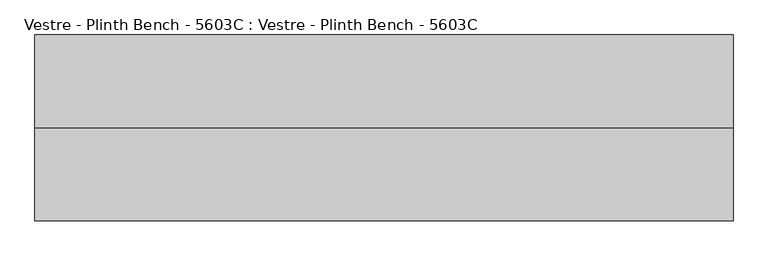
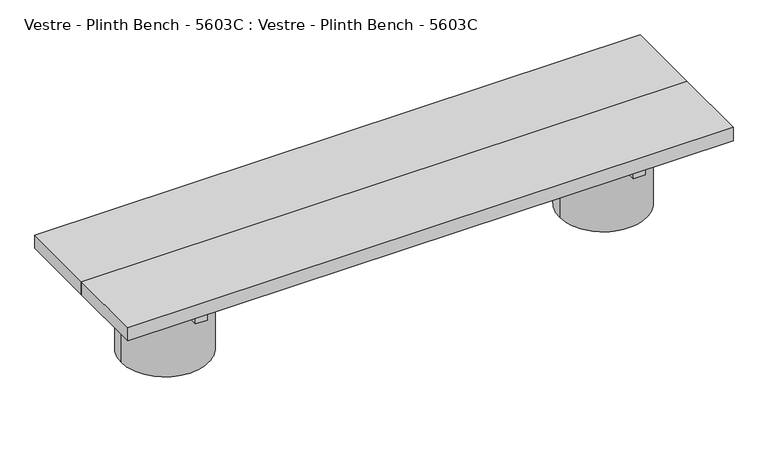
"""IFC4 building model written with IfcOpenShell, lengths in millimetres: furniture geometry, Vestre - Plinth Bench - 5603C : Vestre - Plinth Bench - 5603C."""

import ifcopenshell
import ifcopenshell.guid

model = None  # the IFC model being written
_history = None  # IfcOwnerHistory: only IFC2X3 demands one
_inside = {}  # id of a spatial element -> (the spatial element, [elements in it])
_under = {}  # id of a project, library or spatial element -> (it, [spatial elements below it])
_declared = {}  # id of a project -> (the project, [libraries it declares])
_typed = {}  # id of a type object -> (the type object, [elements of that type])
_made_of = {}  # id of a material, layer set ... -> (it, [elements and type objects made of it])


def new_model(schema):
    """Start an empty IFC model of exactly this schema.

    Asked for "IFC4X3", IfcOpenShell would pick the latest addendum, in which some entities
    have other attributes; the version numbers below select the first issue.
    IFC2X3 requires an IfcOwnerHistory on every rooted entity: one is made here for all.
    """
    global model, _history
    if schema == "IFC4X3":
        model = ifcopenshell.file(schema_version=(4, 3, 0, 0))
    else:
        model = ifcopenshell.file(schema=schema)
    _inside.clear()
    _under.clear()
    _declared.clear()
    _typed.clear()
    _made_of.clear()
    _history = None
    if model.schema == "IFC2X3":
        org = make("IfcOrganization", Name="unknown")
        user = make(
            "IfcPersonAndOrganization",
            ThePerson=make("IfcPerson", FamilyName="unknown"),
            TheOrganization=org,
        )
        app = make(
            "IfcApplication",
            ApplicationDeveloper=org,
            Version="unknown",
            ApplicationFullName="unknown",
            ApplicationIdentifier="unknown",
        )
        _history = make(
            "IfcOwnerHistory",
            OwningUser=user,
            OwningApplication=app,
            ChangeAction="ADDED",
            CreationDate=0,
        )
    return model


def make(cls, **values):
    """One entity of the class cls with the attributes given. An attribute that is None is left unset."""
    return model.create_entity(
        cls, **{name: value for name, value in values.items() if value is not None}
    )


def rooted(cls, **values):
    """An entity with a GlobalId (a new one), such as an element, a storey or a relation."""
    return make(cls, GlobalId=ifcopenshell.guid.new(), OwnerHistory=_history, **values)


def si_unit(unit_type, name, prefix=None):
    """IfcSIUnit, for example si_unit("LENGTHUNIT", "METRE", prefix="MILLI")."""
    return make("IfcSIUnit", UnitType=unit_type, Prefix=prefix, Name=name)


def assignment(units):
    """IfcUnitAssignment: the units of a project."""
    return None if units is None else make("IfcUnitAssignment", Units=units)


def point(xyz):
    """IfcCartesianPoint."""
    return None if xyz is None else make("IfcCartesianPoint", Coordinates=xyz)


def direction(xyz):
    """IfcDirection."""
    return None if xyz is None else make("IfcDirection", DirectionRatios=xyz)


def frame(location, z_axis=None, x_axis=None):
    """IfcAxis2Placement3D, a coordinate frame: its origin and axes. An axis left out is left unset."""
    return make(
        "IfcAxis2Placement3D",
        Location=point(location),
        Axis=direction(z_axis),
        RefDirection=direction(x_axis),
    )


def origin():
    """The frame at (0, 0, 0) with its axes left unset."""
    return frame((0.0, 0.0, 0.0))


def place(relative_to, where):
    """IfcLocalPlacement: puts the frame where relative to a parent placement (None: the world)."""
    return make(
        "IfcLocalPlacement", PlacementRelTo=relative_to, RelativePlacement=where
    )


def context(
    kind, dimensions, precision=None, world=None, true_north=None, identifier=None
):
    """IfcGeometricRepresentationContext, for example the 3D "Model" context."""
    return make(
        "IfcGeometricRepresentationContext",
        ContextIdentifier=identifier,
        ContextType=kind,
        CoordinateSpaceDimension=dimensions,
        Precision=precision,
        WorldCoordinateSystem=world,
        TrueNorth=true_north,
    )


def project(units=None, contexts=None):
    """IfcProject with its units and contexts."""
    return rooted(
        "IfcProject",
        Name="project",
        RepresentationContexts=contexts,
        UnitsInContext=assignment(units),
    )


def spatial(cls, under=None, at=None, **own):
    """A site, building, storey or space (cls), placed at a placement, below another one or the project."""
    s = rooted(cls, ObjectPlacement=at, **own)
    if under is not None:
        _under.setdefault(under.id(), (under, []))[1].append(s)
    return s


def polyline(points):
    """IfcPolyline through the points."""
    return make("IfcPolyline", Points=[point(p) for p in points])


def circle_curve(where, radius):
    """IfcCircle in the frame where."""
    return make("IfcCircle", Position=where, Radius=radius)


def outline(outer, holes=None, kind="AREA"):
    """IfcArbitraryClosedProfileDef: a profile drawn as a closed curve; with holes, ...WithVoids."""
    if holes is None:
        return make("IfcArbitraryClosedProfileDef", ProfileType=kind, OuterCurve=outer)
    return make(
        "IfcArbitraryProfileDefWithVoids",
        ProfileType=kind,
        OuterCurve=outer,
        InnerCurves=holes,
    )


def extrude(swept, where, along, depth):
    """IfcExtrudedAreaSolid: the profile swept, set in the frame where, extruded along a direction by depth."""
    return make(
        "IfcExtrudedAreaSolid",
        SweptArea=swept,
        Position=where,
        ExtrudedDirection=direction(along),
        Depth=depth,
    )


def shape(context_of_items, identifier, shape_type, items):
    """IfcShapeRepresentation: the items that make up one representation, for example the "Body"."""
    return make(
        "IfcShapeRepresentation",
        ContextOfItems=context_of_items,
        RepresentationIdentifier=identifier,
        RepresentationType=shape_type,
        Items=items,
    )


def source(mapping_origin, context_of_items, identifier, shape_type, items):
    """IfcRepresentationMap: a shape defined once, which mapped items show again and again."""
    return make(
        "IfcRepresentationMap",
        MappingOrigin=mapping_origin,
        MappedRepresentation=shape(context_of_items, identifier, shape_type, items),
    )


def transform(
    local_origin,
    x_axis=None,
    y_axis=None,
    z_axis=None,
    scale=None,
    scale2=None,
    scale3=None,
    uniform=True,
):
    """IfcCartesianTransformationOperator3D, or its non-uniform kind. x_axis, y_axis, z_axis: its Axis1, 2, 3."""
    if uniform:
        return make(
            "IfcCartesianTransformationOperator3D",
            Axis1=direction(x_axis),
            Axis2=direction(y_axis),
            LocalOrigin=point(local_origin),
            Scale=scale,
            Axis3=direction(z_axis),
        )
    return make(
        "IfcCartesianTransformationOperator3DnonUniform",
        Axis1=direction(x_axis),
        Axis2=direction(y_axis),
        LocalOrigin=point(local_origin),
        Scale=scale,
        Axis3=direction(z_axis),
        Scale2=scale2,
        Scale3=scale3,
    )


def mapped(mapping_source, mapping_target):
    """IfcMappedItem: shows the shape of a source again, moved by a transform."""
    return make(
        "IfcMappedItem", MappingSource=mapping_source, MappingTarget=mapping_target
    )


def made_of(thing, what):
    """Note that an element or type object is made of a material, layer set ...; save() writes the relation."""
    if what is not None:
        _made_of.setdefault(what.id(), (what, []))[1].append(thing)
    return thing


def element(
    cls,
    number,
    at=None,
    inside=None,
    cuts=None,
    type_object=None,
    material=None,
    context=None,
    identifier="Body",
    shape_type=None,
    held_by="IfcProductDefinitionShape",
    body=None,
    shapes=None,
    **own,
):
    """One element of the class cls, such as IfcWall. Its Tag is "e" and its number.

    at: its placement. inside: the storey or other place that contains it. cuts: it is an
    opening in that element (IfcRelVoidsElement). A single representation is given by context,
    identifier, shape_type and body (its items); several are given by shapes. held_by: the class
    of the entity that holds the representations. save() writes the other relations.
    """
    e = rooted(cls, Tag="e%d" % number, ObjectPlacement=at, **own)
    if body is not None:
        shapes = [shape(context, identifier, shape_type, body)]
    if shapes is not None:
        e.Representation = make(held_by, Representations=shapes)
    if inside is not None:
        _inside.setdefault(inside.id(), (inside, []))[1].append(e)
    if cuts is not None:
        rooted(
            "IfcRelVoidsElement", RelatingBuildingElement=cuts, RelatedOpeningElement=e
        )
    if type_object is not None:
        _typed.setdefault(type_object.id(), (type_object, []))[1].append(e)
    return made_of(e, material)


def aggregate(whole, parts):
    """IfcRelAggregates: a whole, such as a stair, and the parts it consists of."""
    return rooted("IfcRelAggregates", RelatingObject=whole, RelatedObjects=parts)


def save(model, path):
    """Write the relations noted so far, then the file.

    IfcRelAggregates (storeys below a building ...), IfcRelContainedInSpatialStructure (elements
    in a storey), IfcRelDefinesByType, IfcRelAssociatesMaterial and IfcRelDeclares: one each for
    every whole, place, type object, material and project.
    """
    for whole, parts in _under.values():
        aggregate(whole, parts)
    for where, things in _inside.values():
        rooted(
            "IfcRelContainedInSpatialStructure",
            RelatedElements=things,
            RelatingStructure=where,
        )
    for kind, things in _typed.values():
        rooted("IfcRelDefinesByType", RelatedObjects=things, RelatingType=kind)
    for what, things in _made_of.values():
        rooted("IfcRelAssociatesMaterial", RelatedObjects=things, RelatingMaterial=what)
    for by, libraries in _declared.values():
        rooted("IfcRelDeclares", RelatingContext=by, RelatedDefinitions=libraries)
    model.write(path)


def plane_surface(at):
    """IfcPlane: the flat surface through the origin of the frame at, square to its z axis."""
    return make("IfcPlane", Position=at)


def cylinder_surface(at, radius):
    """IfcCylindricalSurface: all points at the distance radius from the z axis of the frame at."""
    return make("IfcCylindricalSurface", Position=at, Radius=radius)


def advanced_brep(points, edges, surfaces, faces):
    """IfcAdvancedBrep: a solid bounded by faces that lie on surfaces and meet in shared edges.

    An edge is (start, end): straight between two places in points (the first is 0);
    or (start, end, curve); or (start, end, curve, False) where it runs against its curve.
    A face is (place in surfaces, loops), or (place, loops, False) where it looks against
    its surface's normal. A loop lists edges by number (the first is 1), with a minus sign
    where the edge is run from its end to its start. The first loop is the outer one.
    """
    corners = [point(p) for p in points]
    vertices = [make("IfcVertexPoint", VertexGeometry=c) for c in corners]
    made = []
    for start, end, *more in edges:
        made.append(
            make(
                "IfcEdgeCurve",
                EdgeStart=vertices[start],
                EdgeEnd=vertices[end],
                EdgeGeometry=more[0] if more else make("IfcPolyline", Points=[corners[start], corners[end]]),
                SameSense=more[1] if len(more) > 1 else True,
            )
        )
    hull = []
    for where, loops, *sense in faces:
        bounds = []
        for j, loop in enumerate(loops):
            ring = [make("IfcOrientedEdge", EdgeElement=made[abs(k) - 1], Orientation=k > 0) for k in loop]
            bounds.append(
                make(
                    "IfcFaceOuterBound" if j == 0 else "IfcFaceBound",
                    Bound=make("IfcEdgeLoop", EdgeList=ring),
                    Orientation=True,
                )
            )
        hull.append(make("IfcAdvancedFace", Bounds=bounds, FaceSurface=surfaces[where], SameSense=sense[0] if sense else True))
    return make("IfcAdvancedBrep", Outer=make("IfcClosedShell", CfsFaces=hull))


def vestre_plinth_bench_5603c_vestre_plinth_bench_5603c_8537504f(model_context):
    return source(origin(), model_context, "Body", "SolidModel", [
        extrude(outline(polyline([(760.0005464, -17.5001515), (760.0005464, -219.9999989), (-760.0005464, -219.9999989), (-760.0005464, -17.5001515), (760.0005464, -17.5001515)])), frame((0.0, 0.0, 214.9999847), z_axis=(0.0, 0.0, 1.0), x_axis=(1.0, 0.0, 0.0)), (0.0, 0.0, 1.0), 35.0000153),
        advanced_brep(
        [(538.5005464, -237.5001515, 74.9999847), (538.5005464, -237.5001515, 164.9999847), (538.5005464, -202.4998463, 164.9999847), (538.5005464, -202.4998463, 74.9999847), (442.3211565, -202.4998463, 74.9999847), (440.9147793, -219.9999989, 74.9999847), (442.3211565, -237.5001515, 74.9999847), (442.3211565, -202.4998463, 164.9999847), (442.3211565, -237.5001515, 164.9999847), (660.0830351, -219.9999989, 164.9999847), (660.0830351, -219.9999989, 0.0), (440.9147793, -219.9999989, 0.0)],
        [
            (0, 1),
            (1, 2),
            (2, 3),
            (3, 0),
            (3, 4),
            (4, 5, circle_curve(frame((550.4989072, -219.9999989, 74.9999847), z_axis=(0.0, 0.0, 1.0), x_axis=(-1.0, 0.0, 0.0)), 109.5841279)),
            (5, 6, circle_curve(frame((550.4989072, -219.9999989, 74.9999847), z_axis=(0.0, 0.0, 1.0), x_axis=(-1.0, 0.0, 0.0)), 109.5841279)),
            (6, 0),
            (2, 7),
            (7, 4),
            (6, 8),
            (8, 1),
            (9, 7, circle_curve(frame((550.4989072, -219.9999989, 164.9999847), z_axis=(0.0, 0.0, 1.0), x_axis=(-1.0, 0.0, 0.0)), 109.5841279)),
            (8, 9, circle_curve(frame((550.4989072, -219.9999989, 164.9999847), z_axis=(0.0, 0.0, 1.0), x_axis=(-1.0, 0.0, 0.0)), 109.5841279)),
            (10, 11, circle_curve(frame((550.4989072, -219.9999989, 0.0), z_axis=(0.0, 0.0, -1.0), x_axis=(-1.0, 0.0, 0.0)), 109.5841279)),
            (11, 10, circle_curve(frame((550.4989072, -219.9999989, 0.0), z_axis=(0.0, 0.0, -1.0), x_axis=(-1.0, 0.0, 0.0)), 109.5841279)),
            (10, 9),
            (5, 11),
        ],
        [
            plane_surface(frame((538.5005464, -237.5001515, 74.9999847), z_axis=(-1.0, 0.0, 0.0), x_axis=(0.0, 0.0, -1.0))),
            plane_surface(frame((420.0, -202.4998463, 74.9999847), z_axis=(0.0, 0.0, 1.0), x_axis=(1.0, 0.0, 0.0))),
            plane_surface(frame((420.0, -202.4998463, 164.9999847), z_axis=(0.0, -1.0, 0.0), x_axis=(1.0, 0.0, 0.0))),
            plane_surface(frame((420.0, -237.5001515, 74.9999847), z_axis=(0.0, 1.0, 0.0), x_axis=(1.0, 0.0, 0.0))),
            plane_surface(frame((440.9147793, -219.9999989, 164.9999847), z_axis=(0.0, 0.0, 1.0), x_axis=(0.0, -1.0, 0.0))),
            plane_surface(frame((440.9147793, -219.9999989, 0.0), z_axis=(0.0, 0.0, -1.0), x_axis=(0.0, 1.0, 0.0))),
            cylinder_surface(frame((550.4989072, -219.9999989, 0.0), z_axis=(0.0, 0.0, 1.0), x_axis=(-1.0, 0.0, 0.0)), 109.5841279),
        ],
        [
            (0, [[1, 2, 3, 4]]),
            (1, [[-4, 5, 6, 7, 8]]),
            (2, [[-3, 9, 10, -5]]),
            (3, [[-1, -8, 11, 12]]),
            (4, [[13, -9, -2, -12, 14]]),
            (5, [[15, 16]]),
            (6, [[-15, 17, -14, -11, -7, 18]]),
            (6, [[-16, -18, -6, -10, -13, -17]]),
        ],
    ),
        extrude(outline(polyline([(565.4994536, -378.0001515), (535.4811401, -378.0001515), (535.4811401, -62.0001515), (565.4994536, -62.0001515), (565.4994536, -378.0001515)])), frame((0.0, 0.0, 164.9999847), z_axis=(0.0, 0.0, 1.0), x_axis=(1.0, 0.0, 0.0)), (0.0, 0.0, 1.0), 50.0),
        extrude(outline(polyline([(-535.4811401, -378.0001515), (-565.4994536, -378.0001515), (-565.4994536, -62.0001515), (-535.4811401, -62.0001515), (-535.4811401, -378.0001515)])), frame((0.0, 0.0, 164.9999847), z_axis=(0.0, 0.0, 1.0), x_axis=(1.0, 0.0, 0.0)), (0.0, 0.0, 1.0), 50.0),
        advanced_brep(
        [(-660.0830351, -219.9999989, 164.9999847), (-442.3211565, -237.5001515, 164.9999847), (-538.5005464, -237.5001515, 164.9999847), (-538.5005464, -202.4998463, 164.9999847), (-442.3211565, -202.4998463, 164.9999847), (-660.0830351, -219.9999989, 0.0), (-440.9147793, -219.9999989, 0.0), (-440.9147793, -219.9999989, 74.9999847), (-442.3211565, -237.5001515, 74.9999847), (-442.3211565, -202.4998463, 74.9999847), (-538.5005464, -237.5001515, 74.9999847), (-538.5005464, -202.4998463, 74.9999847)],
        [
            (0, 1, circle_curve(frame((-550.4989072, -219.9999989, 164.9999847), z_axis=(0.0, 0.0, 1.0), x_axis=(1.0, 0.0, 0.0)), 109.5841279)),
            (1, 2),
            (2, 3),
            (3, 4),
            (4, 0, circle_curve(frame((-550.4989072, -219.9999989, 164.9999847), z_axis=(0.0, 0.0, 1.0), x_axis=(1.0, 0.0, 0.0)), 109.5841279)),
            (5, 6, circle_curve(frame((-550.4989072, -219.9999989, 0.0), z_axis=(0.0, 0.0, -1.0), x_axis=(1.0, 0.0, 0.0)), 109.5841279)),
            (6, 5, circle_curve(frame((-550.4989072, -219.9999989, 0.0), z_axis=(0.0, 0.0, -1.0), x_axis=(1.0, 0.0, 0.0)), 109.5841279)),
            (6, 7),
            (7, 8, circle_curve(frame((-550.4989072, -219.9999989, 74.9999847), z_axis=(0.0, 0.0, -1.0), x_axis=(1.0, 0.0, 0.0)), 109.5841279)),
            (8, 1),
            (0, 5),
            (4, 9),
            (9, 7, circle_curve(frame((-550.4989072, -219.9999989, 74.9999847), z_axis=(0.0, 0.0, -1.0), x_axis=(1.0, 0.0, 0.0)), 109.5841279)),
            (10, 11),
            (11, 3),
            (2, 10),
            (10, 8),
            (9, 11),
        ],
        [
            plane_surface(frame((-440.9147793, -219.9999989, 164.9999847), z_axis=(0.0, 0.0, 1.0), x_axis=(0.0, 1.0, 0.0))),
            plane_surface(frame((-440.9147793, -219.9999989, 0.0), z_axis=(0.0, 0.0, -1.0), x_axis=(0.0, -1.0, 0.0))),
            cylinder_surface(frame((-550.4989072, -219.9999989, 0.0), z_axis=(0.0, 0.0, 1.0), x_axis=(1.0, 0.0, 0.0)), 109.5841279),
            plane_surface(frame((-538.5005464, -202.4998463, 74.9999847), z_axis=(1.0, 0.0, 0.0), x_axis=(0.0, -1.0, 0.0))),
            plane_surface(frame((-420.0, -237.5001515, 74.9999847), z_axis=(0.0, 0.0, 1.0), x_axis=(-1.0, 0.0, 0.0))),
            plane_surface(frame((-420.0, -202.4998463, 74.9999847), z_axis=(0.0, -1.0, 0.0), x_axis=(-1.0, 0.0, 0.0))),
            plane_surface(frame((-420.0, -237.5001515, 164.9999847), z_axis=(0.0, 1.0, 0.0), x_axis=(-1.0, 0.0, 0.0))),
        ],
        [
            (0, [[1, 2, 3, 4, 5]]),
            (1, [[6, 7]]),
            (2, [[-7, 8, 9, 10, -1, 11]]),
            (2, [[-6, -11, -5, 12, 13, -8]]),
            (3, [[14, 15, -3, 16]]),
            (4, [[-14, 17, -9, -13, 18]]),
            (5, [[-15, -18, -12, -4]]),
            (6, [[-16, -2, -10, -17]]),
        ],
    ),
        extrude(outline(polyline([(538.5005464, -202.4998463), (538.5005464, -237.5001515), (-538.5005464, -237.5001515), (-538.5005464, -202.4998463), (538.5005464, -202.4998463)])), frame((0.0, 0.0, 74.9999847), z_axis=(0.0, 0.0, 1.0), x_axis=(1.0, 0.0, 0.0)), (0.0, 0.0, 1.0), 90.0),
        extrude(outline(polyline([(760.0005464, -219.9999989), (760.0005464, -422.5001515), (-760.0005464, -422.5001515), (-760.0005464, -219.9999989), (760.0005464, -219.9999989)])), frame((0.0, 0.0, 214.9999847), z_axis=(0.0, 0.0, 1.0), x_axis=(1.0, 0.0, 0.0)), (0.0, 0.0, 1.0), 35.0000153),
    ])


if __name__ == "__main__":
    model = new_model("IFC4")
    model_context = context("Model", 3, world=origin())
    ifc_project = project(units=[si_unit("LENGTHUNIT", "METRE", prefix="MILLI")], contexts=[model_context])
    site = spatial("IfcSite", under=ifc_project)
    building = spatial("IfcBuilding", under=site)
    placement = place(None, origin())
    vestre_plinth_bench_5603c_vestre_plinth_bench_5603c_shape = vestre_plinth_bench_5603c_vestre_plinth_bench_5603c_8537504f(model_context)
    element("IfcFurniture", 1, ObjectType="Vestre - Plinth Bench - 5603C : Vestre - Plinth Bench - 5603C", at=placement, inside=building, context=model_context, shape_type="MappedRepresentation", body=[
        mapped(vestre_plinth_bench_5603c_vestre_plinth_bench_5603c_shape, transform((0.0, 0.0, 0.0), x_axis=(1.0, 0.0, 0.0), y_axis=(0.0, 1.0, 0.0), z_axis=(0.0, 0.0, 1.0))),
    ])
    save(model, "model.ifc")
